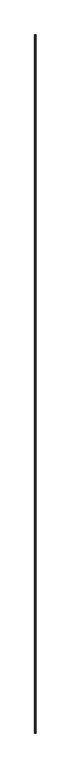
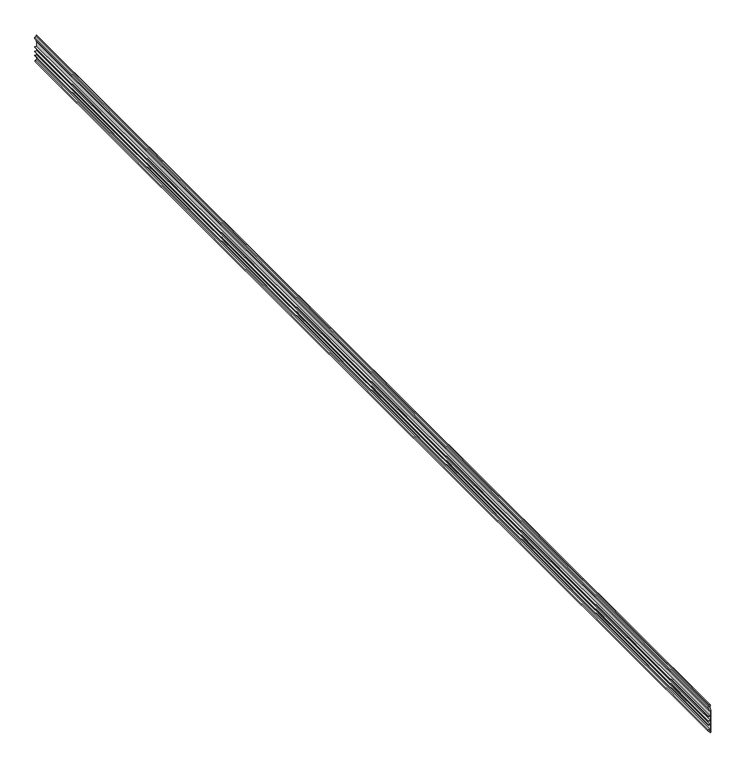
"""IFC4 building model written with IfcOpenShell, lengths in millimetres: proxy geometry."""

from ifc_helpers import new_model, si_unit, frame, origin, place, context, project, spatial, polyline, outline, extrude, source, transform, mapped, element, save


def generic_models_e3a0592a(model_context):
    return source(origin(), model_context, "Body", "SweptSolid", [
        extrude(outline(polyline([(3727.4569019, 38255.1648517), (3727.4569019, 38258.3398517), (3860.8069019, 38258.3398517), (3860.8069019, 38255.1648517), (3873.5069019, 38255.1648517), (3876.0359786, 38249.7412292), (3880.5028252, 38249.7412292), (3883.0319019, 38255.1648517), (3892.5569019, 38255.1648517), (3892.5569019, 38251.9898517), (3885.0545999, 38251.9898517), (3882.2385724, 38245.9508611), (3874.3002314, 38245.9508611), (3871.4842038, 38251.9898517), (3857.6319019, 38251.9898517), (3857.6319019, 38255.1648517), (3826.6756519, 38255.1648517), (3826.6756519, 38245.6398517), (3823.5006519, 38245.6398517), (3823.5006519, 38255.1648517), (3801.2756519, 38255.1648517), (3801.2756519, 38245.6398517), (3798.1006519, 38245.6398517), (3798.1006519, 38255.1648517), (3775.8756519, 38255.1648517), (3775.8756519, 38245.6398517), (3772.7006519, 38245.6398517), (3772.7006519, 38255.1648517), (3747.3006519, 38255.1648517), (3747.3006519, 38246.3544132), (3737.7756519, 38246.3544132), (3737.7756519, 38250.2518612), (3744.1256519, 38250.2518612), (3744.1256519, 38255.1648517), (3727.4569019, 38255.1648517)])), frame((0.0, -25196.3529893, 0.0), z_axis=(0.0, 1.0, 0.0), x_axis=(0.0, 0.0, 1.0)), (0.0, 0.0, 1.0), 6533.92),
    ])


if __name__ == "__main__":
    model = new_model("IFC4")
    model_context = context("Model", 3, world=origin())
    ifc_project = project(units=[si_unit("LENGTHUNIT", "METRE", prefix="MILLI")], contexts=[model_context])
    site = spatial("IfcSite", under=ifc_project)
    building = spatial("IfcBuilding", under=site)
    placement = place(None, origin())
    generic_models_shape = generic_models_e3a0592a(model_context)
    element("IfcBuildingElementProxy", 1, Name="Generic Models", at=placement, inside=building, context=model_context, shape_type="MappedRepresentation", body=[
        mapped(generic_models_shape, transform((0.0, 0.0, 0.0), x_axis=(1.0, 0.0, 0.0), y_axis=(0.0, 1.0, 0.0), z_axis=(0.0, 0.0, 1.0))),
    ])
    save(model, "model.ifc")
